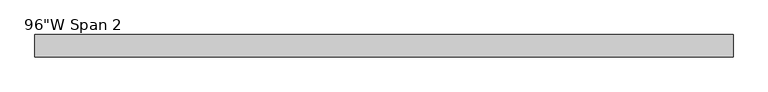
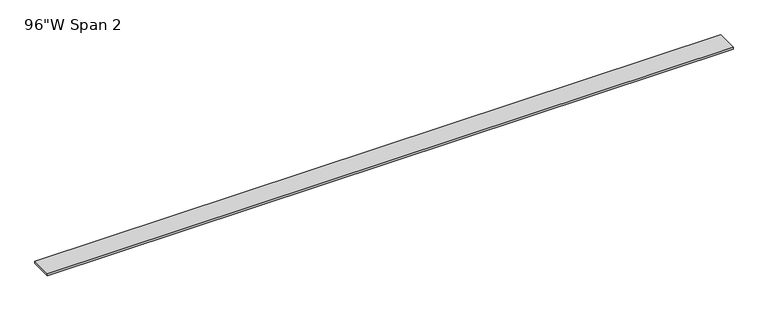
"""IFC4 building model written with IfcOpenShell, lengths in millimetres: furniture geometry."""

from ifc_helpers import new_model, si_unit, frame, origin, place, context, project, spatial, polyline, outline, extrude, source, transform, mapped, element, save


def furniture_3a3874f8(model_context):
    return source(origin(), model_context, "Body", "SweptSolid", [
        extrude(outline(polyline([(1163.21205, 38.735), (1163.21205, -38.735), (-1275.18795, -38.735), (-1275.18795, 38.735), (1163.21205, 38.735)])), frame((0.0, 0.0, 1150.366), z_axis=(0.0, 0.0, 1.0), x_axis=(1.0, 0.0, 0.0)), (0.0, 0.0, 1.0), 6.858),
    ])


if __name__ == "__main__":
    model = new_model("IFC4")
    model_context = context("Model", 3, world=origin())
    ifc_project = project(units=[si_unit("LENGTHUNIT", "METRE", prefix="MILLI")], contexts=[model_context])
    site = spatial("IfcSite", under=ifc_project)
    building = spatial("IfcBuilding", under=site)
    placement = place(None, origin())
    furniture_shape = furniture_3a3874f8(model_context)
    element("IfcFurniture", 1, ObjectType="96\"W Span 2", at=placement, inside=building, context=model_context, shape_type="MappedRepresentation", body=[
        mapped(furniture_shape, transform((0.0, 0.0, 0.0), x_axis=(1.0, 0.0, 0.0), y_axis=(0.0, 1.0, 0.0), z_axis=(0.0, 0.0, 1.0))),
    ])
    save(model, "model.ifc")
